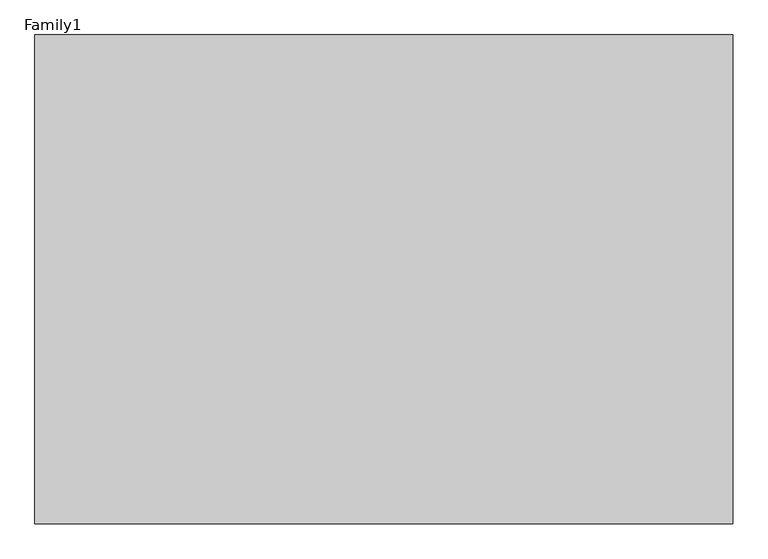
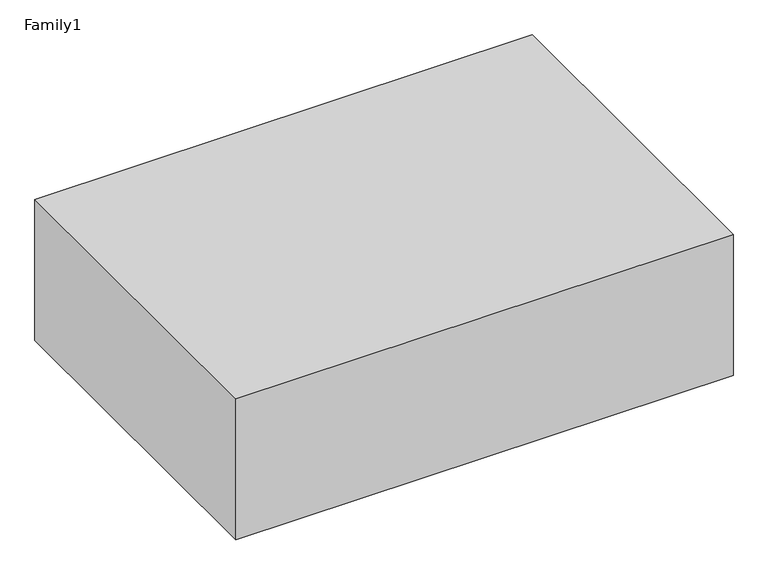
"""IFC4 building model written with IfcOpenShell, lengths in millimetres: proxy geometry, Family1."""

from ifc_helpers import new_model, si_unit, frame, origin, place, context, project, spatial, polyline, outline, extrude, source, transform, mapped, element, save


def family1_a6cd9099(model_context):
    return source(origin(), model_context, "Body", "SweptSolid", [
        extrude(outline(polyline([(1000.0, 0.0), (0.0, 0.0), (0.0, 700.0), (1000.0, 700.0), (1000.0, 0.0)])), frame((0.0, 0.0, 27900.0), z_axis=(0.0, 0.0, 1.0), x_axis=(1.0, 0.0, 0.0)), (0.0, 0.0, 1.0), 300.0),
    ])


if __name__ == "__main__":
    model = new_model("IFC4")
    model_context = context("Model", 3, world=origin())
    ifc_project = project(units=[si_unit("LENGTHUNIT", "METRE", prefix="MILLI")], contexts=[model_context])
    site = spatial("IfcSite", under=ifc_project)
    building = spatial("IfcBuilding", under=site)
    placement = place(None, origin())
    family1_shape = family1_a6cd9099(model_context)
    element("IfcBuildingElementProxy", 1, Name="Family1", ObjectType="Family1", at=placement, inside=building, context=model_context, shape_type="MappedRepresentation", body=[
        mapped(family1_shape, transform((0.0, 0.0, 0.0), x_axis=(1.0, 0.0, 0.0), y_axis=(0.0, 1.0, 0.0), z_axis=(0.0, 0.0, 1.0))),
    ])
    save(model, "model.ifc")
